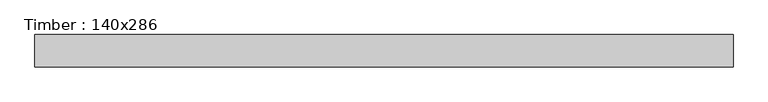
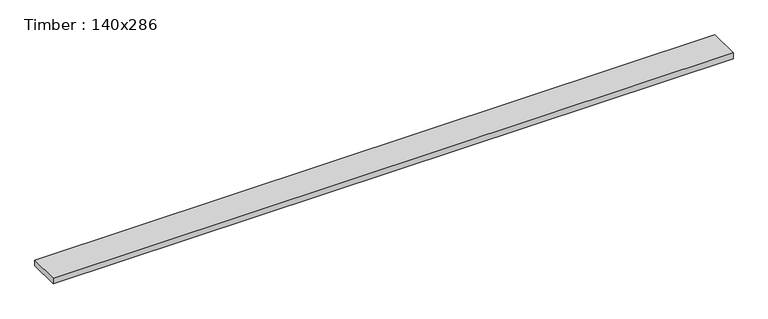
"""IFC4 building model written with IfcOpenShell, lengths in millimetres: beam geometry, Timber : 140x286."""

from ifc_helpers import new_model, si_unit, frame, origin, place, context, project, spatial, polyline, outline, extrude, source, transform, mapped, element, save


def timber_140x286_163159fc(model_context):
    return source(origin(), model_context, "Body", "SweptSolid", [
        extrude(outline(polyline([(1937.8350488, 31.5582294), (1937.8350488, 131.5582294), (4101.0, 131.5582294), (4101.0, 31.5582294), (1937.8350488, 31.5582294)])), frame((0.0, 0.0, -99.1762027), z_axis=(0.0, 0.0, 1.0), x_axis=(1.0, 0.0, 0.0)), (0.0, 0.0, 1.0), 19.0),
    ])


if __name__ == "__main__":
    model = new_model("IFC4")
    model_context = context("Model", 3, world=origin())
    ifc_project = project(units=[si_unit("LENGTHUNIT", "METRE", prefix="MILLI")], contexts=[model_context])
    site = spatial("IfcSite", under=ifc_project)
    building = spatial("IfcBuilding", under=site)
    placement = place(None, origin())
    timber_140x286_shape = timber_140x286_163159fc(model_context)
    element("IfcBeam", 1, ObjectType="Timber : 140x286", at=placement, inside=building, context=model_context, shape_type="MappedRepresentation", body=[
        mapped(timber_140x286_shape, transform((0.0, 0.0, 0.0), x_axis=(1.0, 0.0, 0.0), y_axis=(0.0, 1.0, 0.0), z_axis=(0.0, 0.0, 1.0))),
    ])
    save(model, "model.ifc")
